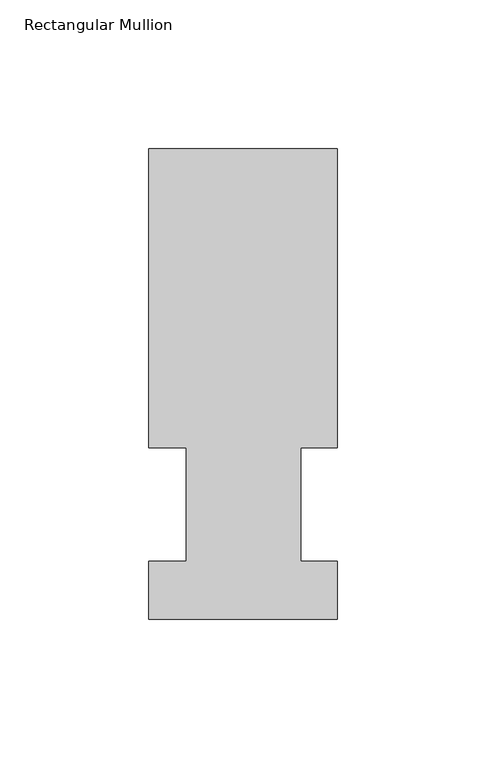
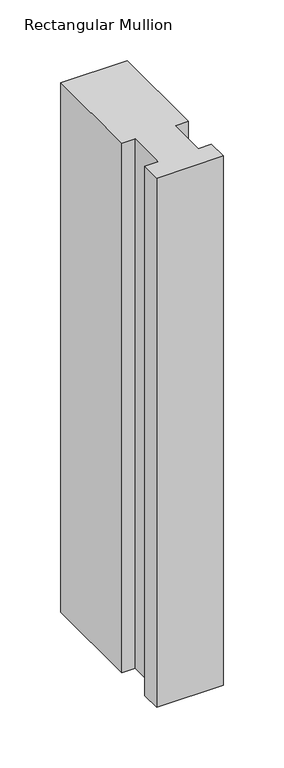
"""IFC4 building model written with IfcOpenShell, lengths in millimetres: member geometry, Rectangular Mullion."""

import ifcopenshell
import ifcopenshell.guid

model = None  # the IFC model being written
_history = None  # IfcOwnerHistory: only IFC2X3 demands one
_inside = {}  # id of a spatial element -> (the spatial element, [elements in it])
_under = {}  # id of a project, library or spatial element -> (it, [spatial elements below it])
_declared = {}  # id of a project -> (the project, [libraries it declares])
_typed = {}  # id of a type object -> (the type object, [elements of that type])
_made_of = {}  # id of a material, layer set ... -> (it, [elements and type objects made of it])


def new_model(schema):
    """Start an empty IFC model of exactly this schema.

    Asked for "IFC4X3", IfcOpenShell would pick the latest addendum, in which some entities
    have other attributes; the version numbers below select the first issue.
    IFC2X3 requires an IfcOwnerHistory on every rooted entity: one is made here for all.
    """
    global model, _history
    if schema == "IFC4X3":
        model = ifcopenshell.file(schema_version=(4, 3, 0, 0))
    else:
        model = ifcopenshell.file(schema=schema)
    _inside.clear()
    _under.clear()
    _declared.clear()
    _typed.clear()
    _made_of.clear()
    _history = None
    if model.schema == "IFC2X3":
        org = make("IfcOrganization", Name="unknown")
        user = make(
            "IfcPersonAndOrganization",
            ThePerson=make("IfcPerson", FamilyName="unknown"),
            TheOrganization=org,
        )
        app = make(
            "IfcApplication",
            ApplicationDeveloper=org,
            Version="unknown",
            ApplicationFullName="unknown",
            ApplicationIdentifier="unknown",
        )
        _history = make(
            "IfcOwnerHistory",
            OwningUser=user,
            OwningApplication=app,
            ChangeAction="ADDED",
            CreationDate=0,
        )
    return model


def make(cls, **values):
    """One entity of the class cls with the attributes given. An attribute that is None is left unset."""
    return model.create_entity(
        cls, **{name: value for name, value in values.items() if value is not None}
    )


def rooted(cls, **values):
    """An entity with a GlobalId (a new one), such as an element, a storey or a relation."""
    return make(cls, GlobalId=ifcopenshell.guid.new(), OwnerHistory=_history, **values)


def si_unit(unit_type, name, prefix=None):
    """IfcSIUnit, for example si_unit("LENGTHUNIT", "METRE", prefix="MILLI")."""
    return make("IfcSIUnit", UnitType=unit_type, Prefix=prefix, Name=name)


def assignment(units):
    """IfcUnitAssignment: the units of a project."""
    return None if units is None else make("IfcUnitAssignment", Units=units)


def point(xyz):
    """IfcCartesianPoint."""
    return None if xyz is None else make("IfcCartesianPoint", Coordinates=xyz)


def direction(xyz):
    """IfcDirection."""
    return None if xyz is None else make("IfcDirection", DirectionRatios=xyz)


def frame(location, z_axis=None, x_axis=None):
    """IfcAxis2Placement3D, a coordinate frame: its origin and axes. An axis left out is left unset."""
    return make(
        "IfcAxis2Placement3D",
        Location=point(location),
        Axis=direction(z_axis),
        RefDirection=direction(x_axis),
    )


def origin():
    """The frame at (0, 0, 0) with its axes left unset."""
    return frame((0.0, 0.0, 0.0))


def place(relative_to, where):
    """IfcLocalPlacement: puts the frame where relative to a parent placement (None: the world)."""
    return make(
        "IfcLocalPlacement", PlacementRelTo=relative_to, RelativePlacement=where
    )


def context(
    kind, dimensions, precision=None, world=None, true_north=None, identifier=None
):
    """IfcGeometricRepresentationContext, for example the 3D "Model" context."""
    return make(
        "IfcGeometricRepresentationContext",
        ContextIdentifier=identifier,
        ContextType=kind,
        CoordinateSpaceDimension=dimensions,
        Precision=precision,
        WorldCoordinateSystem=world,
        TrueNorth=true_north,
    )


def project(units=None, contexts=None):
    """IfcProject with its units and contexts."""
    return rooted(
        "IfcProject",
        Name="project",
        RepresentationContexts=contexts,
        UnitsInContext=assignment(units),
    )


def spatial(cls, under=None, at=None, **own):
    """A site, building, storey or space (cls), placed at a placement, below another one or the project."""
    s = rooted(cls, ObjectPlacement=at, **own)
    if under is not None:
        _under.setdefault(under.id(), (under, []))[1].append(s)
    return s


def polyline(points):
    """IfcPolyline through the points."""
    return make("IfcPolyline", Points=[point(p) for p in points])


def outline(outer, holes=None, kind="AREA"):
    """IfcArbitraryClosedProfileDef: a profile drawn as a closed curve; with holes, ...WithVoids."""
    if holes is None:
        return make("IfcArbitraryClosedProfileDef", ProfileType=kind, OuterCurve=outer)
    return make(
        "IfcArbitraryProfileDefWithVoids",
        ProfileType=kind,
        OuterCurve=outer,
        InnerCurves=holes,
    )


def extrude(swept, where, along, depth):
    """IfcExtrudedAreaSolid: the profile swept, set in the frame where, extruded along a direction by depth."""
    return make(
        "IfcExtrudedAreaSolid",
        SweptArea=swept,
        Position=where,
        ExtrudedDirection=direction(along),
        Depth=depth,
    )


def shape(context_of_items, identifier, shape_type, items):
    """IfcShapeRepresentation: the items that make up one representation, for example the "Body"."""
    return make(
        "IfcShapeRepresentation",
        ContextOfItems=context_of_items,
        RepresentationIdentifier=identifier,
        RepresentationType=shape_type,
        Items=items,
    )


def source(mapping_origin, context_of_items, identifier, shape_type, items):
    """IfcRepresentationMap: a shape defined once, which mapped items show again and again."""
    return make(
        "IfcRepresentationMap",
        MappingOrigin=mapping_origin,
        MappedRepresentation=shape(context_of_items, identifier, shape_type, items),
    )


def transform(
    local_origin,
    x_axis=None,
    y_axis=None,
    z_axis=None,
    scale=None,
    scale2=None,
    scale3=None,
    uniform=True,
):
    """IfcCartesianTransformationOperator3D, or its non-uniform kind. x_axis, y_axis, z_axis: its Axis1, 2, 3."""
    if uniform:
        return make(
            "IfcCartesianTransformationOperator3D",
            Axis1=direction(x_axis),
            Axis2=direction(y_axis),
            LocalOrigin=point(local_origin),
            Scale=scale,
            Axis3=direction(z_axis),
        )
    return make(
        "IfcCartesianTransformationOperator3DnonUniform",
        Axis1=direction(x_axis),
        Axis2=direction(y_axis),
        LocalOrigin=point(local_origin),
        Scale=scale,
        Axis3=direction(z_axis),
        Scale2=scale2,
        Scale3=scale3,
    )


def mapped(mapping_source, mapping_target):
    """IfcMappedItem: shows the shape of a source again, moved by a transform."""
    return make(
        "IfcMappedItem", MappingSource=mapping_source, MappingTarget=mapping_target
    )


def made_of(thing, what):
    """Note that an element or type object is made of a material, layer set ...; save() writes the relation."""
    if what is not None:
        _made_of.setdefault(what.id(), (what, []))[1].append(thing)
    return thing


def element(
    cls,
    number,
    at=None,
    inside=None,
    cuts=None,
    type_object=None,
    material=None,
    context=None,
    identifier="Body",
    shape_type=None,
    held_by="IfcProductDefinitionShape",
    body=None,
    shapes=None,
    **own,
):
    """One element of the class cls, such as IfcWall. Its Tag is "e" and its number.

    at: its placement. inside: the storey or other place that contains it. cuts: it is an
    opening in that element (IfcRelVoidsElement). A single representation is given by context,
    identifier, shape_type and body (its items); several are given by shapes. held_by: the class
    of the entity that holds the representations. save() writes the other relations.
    """
    e = rooted(cls, Tag="e%d" % number, ObjectPlacement=at, **own)
    if body is not None:
        shapes = [shape(context, identifier, shape_type, body)]
    if shapes is not None:
        e.Representation = make(held_by, Representations=shapes)
    if inside is not None:
        _inside.setdefault(inside.id(), (inside, []))[1].append(e)
    if cuts is not None:
        rooted(
            "IfcRelVoidsElement", RelatingBuildingElement=cuts, RelatedOpeningElement=e
        )
    if type_object is not None:
        _typed.setdefault(type_object.id(), (type_object, []))[1].append(e)
    return made_of(e, material)


def aggregate(whole, parts):
    """IfcRelAggregates: a whole, such as a stair, and the parts it consists of."""
    return rooted("IfcRelAggregates", RelatingObject=whole, RelatedObjects=parts)


def save(model, path):
    """Write the relations noted so far, then the file.

    IfcRelAggregates (storeys below a building ...), IfcRelContainedInSpatialStructure (elements
    in a storey), IfcRelDefinesByType, IfcRelAssociatesMaterial and IfcRelDeclares: one each for
    every whole, place, type object, material and project.
    """
    for whole, parts in _under.values():
        aggregate(whole, parts)
    for where, things in _inside.values():
        rooted(
            "IfcRelContainedInSpatialStructure",
            RelatedElements=things,
            RelatingStructure=where,
        )
    for kind, things in _typed.values():
        rooted("IfcRelDefinesByType", RelatedObjects=things, RelatingType=kind)
    for what, things in _made_of.values():
        rooted("IfcRelAssociatesMaterial", RelatedObjects=things, RelatingMaterial=what)
    for by, libraries in _declared.values():
        rooted("IfcRelDeclares", RelatingContext=by, RelatedDefinitions=libraries)
    model.write(path)


def rectangular_mullion_4aa63a5b(model_context):
    return source(origin(), model_context, "Body", "SweptSolid", [
        extrude(outline(polyline([(-63.5, 57.6460937), (-63.5, 158.3316937), (0.0, 158.3316937), (0.0, 57.6460937), (-12.3418395, 57.6460937), (-12.3418395, 19.5460937), (0.0, 19.5460937), (0.0, 0.0134937), (-63.5, 0.0134937), (-63.5, 19.5460937), (-50.8, 19.5460937), (-50.8, 57.6460937), (-63.5, 57.6460937)])), frame((0.0, 0.0, -532.9054937), z_axis=(0.0, 0.0, 1.0), x_axis=(1.0, 0.0, 0.0)), (0.0, 0.0, 1.0), 532.9054937),
    ])


if __name__ == "__main__":
    model = new_model("IFC4")
    model_context = context("Model", 3, world=origin())
    ifc_project = project(units=[si_unit("LENGTHUNIT", "METRE", prefix="MILLI")], contexts=[model_context])
    site = spatial("IfcSite", under=ifc_project)
    building = spatial("IfcBuilding", under=site)
    placement = place(None, origin())
    rectangular_mullion_shape = rectangular_mullion_4aa63a5b(model_context)
    element("IfcMember", 1, ObjectType="Rectangular Mullion", at=placement, inside=building, context=model_context, shape_type="MappedRepresentation", body=[
        mapped(rectangular_mullion_shape, transform((0.0, 0.0, 0.0), x_axis=(1.0, 0.0, 0.0), y_axis=(0.0, 1.0, 0.0), z_axis=(0.0, 0.0, 1.0))),
    ])
    save(model, "model.ifc")
